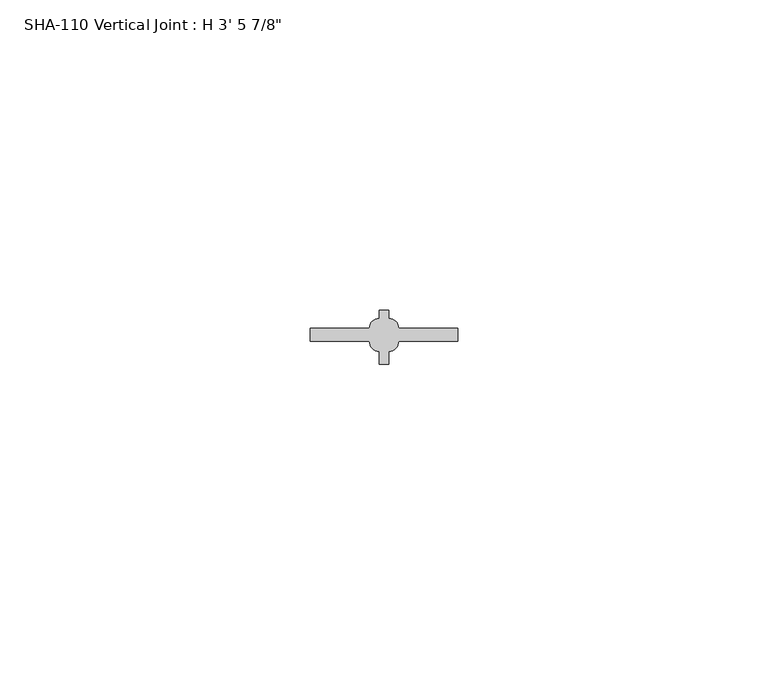
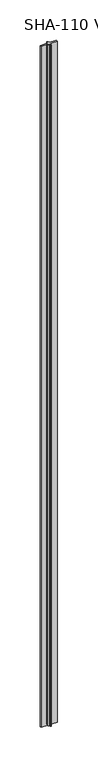
"""IFC4 building model written with IfcOpenShell, lengths in millimetres: proxy geometry."""

import ifcopenshell
import ifcopenshell.guid

model = None  # the IFC model being written
_history = None  # IfcOwnerHistory: only IFC2X3 demands one
_inside = {}  # id of a spatial element -> (the spatial element, [elements in it])
_under = {}  # id of a project, library or spatial element -> (it, [spatial elements below it])
_declared = {}  # id of a project -> (the project, [libraries it declares])
_typed = {}  # id of a type object -> (the type object, [elements of that type])
_made_of = {}  # id of a material, layer set ... -> (it, [elements and type objects made of it])


def new_model(schema):
    """Start an empty IFC model of exactly this schema.

    Asked for "IFC4X3", IfcOpenShell would pick the latest addendum, in which some entities
    have other attributes; the version numbers below select the first issue.
    IFC2X3 requires an IfcOwnerHistory on every rooted entity: one is made here for all.
    """
    global model, _history
    if schema == "IFC4X3":
        model = ifcopenshell.file(schema_version=(4, 3, 0, 0))
    else:
        model = ifcopenshell.file(schema=schema)
    _inside.clear()
    _under.clear()
    _declared.clear()
    _typed.clear()
    _made_of.clear()
    _history = None
    if model.schema == "IFC2X3":
        org = make("IfcOrganization", Name="unknown")
        user = make(
            "IfcPersonAndOrganization",
            ThePerson=make("IfcPerson", FamilyName="unknown"),
            TheOrganization=org,
        )
        app = make(
            "IfcApplication",
            ApplicationDeveloper=org,
            Version="unknown",
            ApplicationFullName="unknown",
            ApplicationIdentifier="unknown",
        )
        _history = make(
            "IfcOwnerHistory",
            OwningUser=user,
            OwningApplication=app,
            ChangeAction="ADDED",
            CreationDate=0,
        )
    return model


def make(cls, **values):
    """One entity of the class cls with the attributes given. An attribute that is None is left unset."""
    return model.create_entity(
        cls, **{name: value for name, value in values.items() if value is not None}
    )


def rooted(cls, **values):
    """An entity with a GlobalId (a new one), such as an element, a storey or a relation."""
    return make(cls, GlobalId=ifcopenshell.guid.new(), OwnerHistory=_history, **values)


def si_unit(unit_type, name, prefix=None):
    """IfcSIUnit, for example si_unit("LENGTHUNIT", "METRE", prefix="MILLI")."""
    return make("IfcSIUnit", UnitType=unit_type, Prefix=prefix, Name=name)


def assignment(units):
    """IfcUnitAssignment: the units of a project."""
    return None if units is None else make("IfcUnitAssignment", Units=units)


def point(xyz):
    """IfcCartesianPoint."""
    return None if xyz is None else make("IfcCartesianPoint", Coordinates=xyz)


def direction(xyz):
    """IfcDirection."""
    return None if xyz is None else make("IfcDirection", DirectionRatios=xyz)


def frame(location, z_axis=None, x_axis=None):
    """IfcAxis2Placement3D, a coordinate frame: its origin and axes. An axis left out is left unset."""
    return make(
        "IfcAxis2Placement3D",
        Location=point(location),
        Axis=direction(z_axis),
        RefDirection=direction(x_axis),
    )


def frame_2d(location, x_axis=None):
    """IfcAxis2Placement2D, a coordinate frame in the plane: its origin and x axis."""
    return make(
        "IfcAxis2Placement2D", Location=point(location), RefDirection=direction(x_axis)
    )


def origin():
    """The frame at (0, 0, 0) with its axes left unset."""
    return frame((0.0, 0.0, 0.0))


def origin_with_axes():
    """The frame at (0, 0, 0) with the z axis (0, 0, 1) and the x axis (1, 0, 0) written out."""
    return frame((0.0, 0.0, 0.0), z_axis=(0.0, 0.0, 1.0), x_axis=(1.0, 0.0, 0.0))


def place(relative_to, where):
    """IfcLocalPlacement: puts the frame where relative to a parent placement (None: the world)."""
    return make(
        "IfcLocalPlacement", PlacementRelTo=relative_to, RelativePlacement=where
    )


def context(
    kind, dimensions, precision=None, world=None, true_north=None, identifier=None
):
    """IfcGeometricRepresentationContext, for example the 3D "Model" context."""
    return make(
        "IfcGeometricRepresentationContext",
        ContextIdentifier=identifier,
        ContextType=kind,
        CoordinateSpaceDimension=dimensions,
        Precision=precision,
        WorldCoordinateSystem=world,
        TrueNorth=true_north,
    )


def project(units=None, contexts=None):
    """IfcProject with its units and contexts."""
    return rooted(
        "IfcProject",
        Name="project",
        RepresentationContexts=contexts,
        UnitsInContext=assignment(units),
    )


def spatial(cls, under=None, at=None, **own):
    """A site, building, storey or space (cls), placed at a placement, below another one or the project."""
    s = rooted(cls, ObjectPlacement=at, **own)
    if under is not None:
        _under.setdefault(under.id(), (under, []))[1].append(s)
    return s


def polyline(points):
    """IfcPolyline through the points."""
    return make("IfcPolyline", Points=[point(p) for p in points])


def circle_curve(where, radius):
    """IfcCircle in the frame where."""
    return make("IfcCircle", Position=where, Radius=radius)


def trimmed(basis, trim1, trim2, sense, master):
    """IfcTrimmedCurve: the piece of a basis curve between two trims."""
    return make(
        "IfcTrimmedCurve",
        BasisCurve=basis,
        Trim1=trim1,
        Trim2=trim2,
        SenseAgreement=sense,
        MasterRepresentation=master,
    )


def segment(curve, same_sense, transition):
    """IfcCompositeCurveSegment."""
    return make(
        "IfcCompositeCurveSegment",
        Transition=transition,
        SameSense=same_sense,
        ParentCurve=curve,
    )


def composite_curve(segments, self_intersect=None):
    """IfcCompositeCurve: segments joined end to end."""
    return make("IfcCompositeCurve", Segments=segments, SelfIntersect=self_intersect)


def outline(outer, holes=None, kind="AREA"):
    """IfcArbitraryClosedProfileDef: a profile drawn as a closed curve; with holes, ...WithVoids."""
    if holes is None:
        return make("IfcArbitraryClosedProfileDef", ProfileType=kind, OuterCurve=outer)
    return make(
        "IfcArbitraryProfileDefWithVoids",
        ProfileType=kind,
        OuterCurve=outer,
        InnerCurves=holes,
    )


def extrude(swept, where, along, depth):
    """IfcExtrudedAreaSolid: the profile swept, set in the frame where, extruded along a direction by depth."""
    return make(
        "IfcExtrudedAreaSolid",
        SweptArea=swept,
        Position=where,
        ExtrudedDirection=direction(along),
        Depth=depth,
    )


def shape(context_of_items, identifier, shape_type, items):
    """IfcShapeRepresentation: the items that make up one representation, for example the "Body"."""
    return make(
        "IfcShapeRepresentation",
        ContextOfItems=context_of_items,
        RepresentationIdentifier=identifier,
        RepresentationType=shape_type,
        Items=items,
    )


def source(mapping_origin, context_of_items, identifier, shape_type, items):
    """IfcRepresentationMap: a shape defined once, which mapped items show again and again."""
    return make(
        "IfcRepresentationMap",
        MappingOrigin=mapping_origin,
        MappedRepresentation=shape(context_of_items, identifier, shape_type, items),
    )


def transform(
    local_origin,
    x_axis=None,
    y_axis=None,
    z_axis=None,
    scale=None,
    scale2=None,
    scale3=None,
    uniform=True,
):
    """IfcCartesianTransformationOperator3D, or its non-uniform kind. x_axis, y_axis, z_axis: its Axis1, 2, 3."""
    if uniform:
        return make(
            "IfcCartesianTransformationOperator3D",
            Axis1=direction(x_axis),
            Axis2=direction(y_axis),
            LocalOrigin=point(local_origin),
            Scale=scale,
            Axis3=direction(z_axis),
        )
    return make(
        "IfcCartesianTransformationOperator3DnonUniform",
        Axis1=direction(x_axis),
        Axis2=direction(y_axis),
        LocalOrigin=point(local_origin),
        Scale=scale,
        Axis3=direction(z_axis),
        Scale2=scale2,
        Scale3=scale3,
    )


def mapped(mapping_source, mapping_target):
    """IfcMappedItem: shows the shape of a source again, moved by a transform."""
    return make(
        "IfcMappedItem", MappingSource=mapping_source, MappingTarget=mapping_target
    )


def made_of(thing, what):
    """Note that an element or type object is made of a material, layer set ...; save() writes the relation."""
    if what is not None:
        _made_of.setdefault(what.id(), (what, []))[1].append(thing)
    return thing


def element(
    cls,
    number,
    at=None,
    inside=None,
    cuts=None,
    type_object=None,
    material=None,
    context=None,
    identifier="Body",
    shape_type=None,
    held_by="IfcProductDefinitionShape",
    body=None,
    shapes=None,
    **own,
):
    """One element of the class cls, such as IfcWall. Its Tag is "e" and its number.

    at: its placement. inside: the storey or other place that contains it. cuts: it is an
    opening in that element (IfcRelVoidsElement). A single representation is given by context,
    identifier, shape_type and body (its items); several are given by shapes. held_by: the class
    of the entity that holds the representations. save() writes the other relations.
    """
    e = rooted(cls, Tag="e%d" % number, ObjectPlacement=at, **own)
    if body is not None:
        shapes = [shape(context, identifier, shape_type, body)]
    if shapes is not None:
        e.Representation = make(held_by, Representations=shapes)
    if inside is not None:
        _inside.setdefault(inside.id(), (inside, []))[1].append(e)
    if cuts is not None:
        rooted(
            "IfcRelVoidsElement", RelatingBuildingElement=cuts, RelatedOpeningElement=e
        )
    if type_object is not None:
        _typed.setdefault(type_object.id(), (type_object, []))[1].append(e)
    return made_of(e, material)


def aggregate(whole, parts):
    """IfcRelAggregates: a whole, such as a stair, and the parts it consists of."""
    return rooted("IfcRelAggregates", RelatingObject=whole, RelatedObjects=parts)


def save(model, path):
    """Write the relations noted so far, then the file.

    IfcRelAggregates (storeys below a building ...), IfcRelContainedInSpatialStructure (elements
    in a storey), IfcRelDefinesByType, IfcRelAssociatesMaterial and IfcRelDeclares: one each for
    every whole, place, type object, material and project.
    """
    for whole, parts in _under.values():
        aggregate(whole, parts)
    for where, things in _inside.values():
        rooted(
            "IfcRelContainedInSpatialStructure",
            RelatedElements=things,
            RelatingStructure=where,
        )
    for kind, things in _typed.values():
        rooted("IfcRelDefinesByType", RelatedObjects=things, RelatingType=kind)
    for what, things in _made_of.values():
        rooted("IfcRelAssociatesMaterial", RelatedObjects=things, RelatingMaterial=what)
    for by, libraries in _declared.values():
        rooted("IfcRelDeclares", RelatingContext=by, RelatedDefinitions=libraries)
    model.write(path)


def proxy_d9d2371b(model_context):
    return source(origin(), model_context, "Body", "SweptSolid", [
        extrude(outline(composite_curve([segment(polyline([(14.2494, 5.8293), (23.7744, 5.8293), (23.7744, 3.6957), (14.2494, 3.6957)]), True, "CONTINUOUS"), segment(trimmed(circle_curve(frame_2d((12.6746, 3.6957)), 1.5748), [point((14.2494, 3.6957))], [point((12.6746, 2.1209))], False, "CARTESIAN"), True, "CONTINUOUS"), segment(polyline([(12.6746, 2.1209), (12.6746, 0.0), (11.8872, 0.0), (11.0998, 0.0), (11.0998, 2.1209)]), True, "CONTINUOUS"), segment(trimmed(circle_curve(frame_2d((11.0998, 3.6957)), 1.5748), [point((11.0998, 2.1209))], [point((9.525, 3.6957))], False, "CARTESIAN"), True, "CONTINUOUS"), segment(polyline([(9.525, 3.6957), (0.0, 3.6957), (0.0, 5.8293), (9.525, 5.8293)]), True, "CONTINUOUS"), segment(trimmed(circle_curve(frame_2d((11.0998, 5.8293)), 1.5748), [point((9.525, 5.8293))], [point((11.0998, 7.4041))], False, "CARTESIAN"), True, "CONTINUOUS"), segment(polyline([(11.0998, 7.4041), (11.0998, 8.73125), (11.8872, 8.73125), (12.6746, 8.73125), (12.6746, 7.4041)]), True, "CONTINUOUS"), segment(trimmed(circle_curve(frame_2d((12.6746, 5.8293)), 1.5748), [point((12.6746, 7.4041))], [point((14.2494, 5.8293))], False, "CARTESIAN"), True, "CONTINUOUS")], self_intersect=False)), origin_with_axes(), (0.0, 0.0, 1.0), 1063.625),
    ])


if __name__ == "__main__":
    model = new_model("IFC4")
    model_context = context("Model", 3, world=origin())
    ifc_project = project(units=[si_unit("LENGTHUNIT", "METRE", prefix="MILLI")], contexts=[model_context])
    site = spatial("IfcSite", under=ifc_project)
    building = spatial("IfcBuilding", under=site)
    placement = place(None, origin())
    proxy_shape = proxy_d9d2371b(model_context)
    element("IfcBuildingElementProxy", 1, Name="SHA-110 Vertical Joint : H 3' 5 7/8\"", ObjectType="SHA-110 Vertical Joint : H 3' 5 7/8\"", at=placement, inside=building, context=model_context, shape_type="MappedRepresentation", body=[
        mapped(proxy_shape, transform((0.0, 0.0, 0.0), x_axis=(1.0, 0.0, 0.0), y_axis=(0.0, 1.0, 0.0), z_axis=(0.0, 0.0, 1.0))),
    ])
    save(model, "model.ifc")
